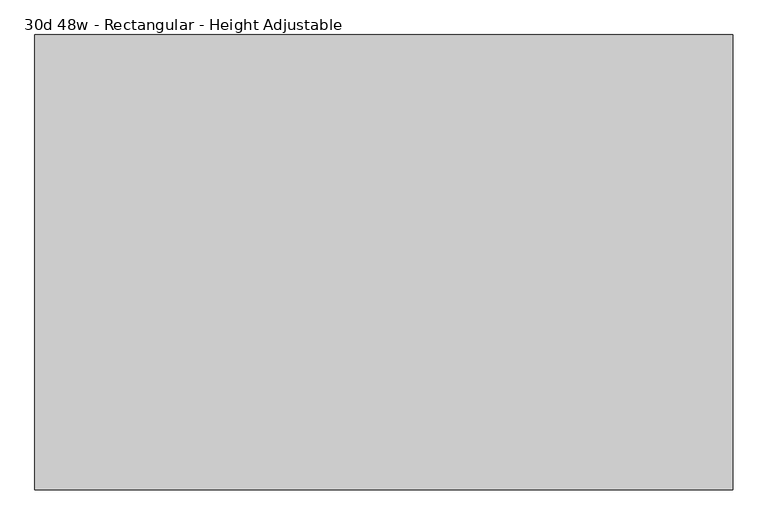
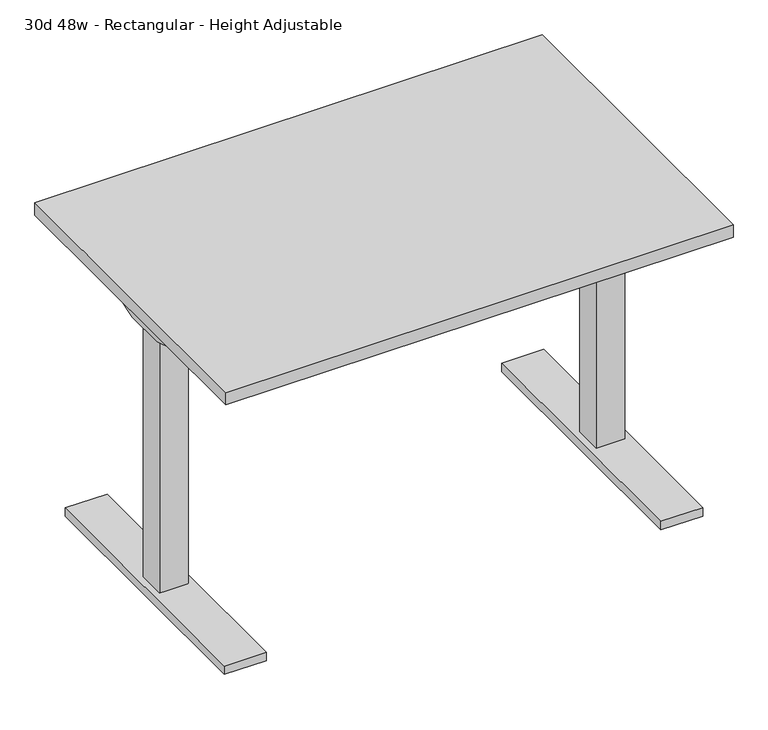
"""IFC4 building model written with IfcOpenShell, lengths in millimetres: furniture geometry, 30d 48w - Rectangular - Height Adjustable."""

from ifc_helpers import new_model, si_unit, frame, origin, origin_with_axes, place, context, project, spatial, polyline, outline, extrude, source, transform, mapped, element, save


def furniture_30d_48w_rectangular_height_adjustable_468d6f33(model_context):
    return source(origin(), model_context, "Body", "SweptSolid", [
        extrude(outline(polyline([(49.3599854, 648.1304493), (-49.3599854, 648.1304493), (-215.9, 700.0875), (-215.9, 706.4375), (215.9, 706.4375), (215.9, 700.0875), (49.3599854, 648.1304493)])), frame((-551.18, 0.0, 0.0), z_axis=(1.0, 0.0, 0.0), x_axis=(0.0, 1.0, 0.0)), (0.0, 0.0, 1.0), 25.4),
        extrude(outline(polyline([(-525.78, 29.21), (-473.7397656, 29.21), (-473.7397656, -29.21), (-525.78, -29.21), (-525.78, 29.21)])), frame((0.0, 0.0, 642.9375), z_axis=(0.0, 0.0, 1.0), x_axis=(1.0, 0.0, 0.0)), (0.0, 0.0, 1.0), 63.5),
        extrude(outline(polyline([(-535.9499219, 33.02), (-469.8702344, 33.02), (-469.8702344, -33.02), (-535.9499219, -33.02), (-535.9499219, 33.02)])), frame((0.0, 0.0, 20.6375), z_axis=(0.0, 0.0, 1.0), x_axis=(1.0, 0.0, 0.0)), (0.0, 0.0, 1.0), 622.3),
        extrude(outline(polyline([(-551.18, 317.5), (-454.6401562, 317.5), (-454.6401562, -317.5), (-551.18, -317.5), (-551.18, 317.5)])), origin_with_axes(), (0.0, 0.0, 1.0), 20.6375),
        extrude(outline(polyline([(49.3599854, 648.1304493), (-49.3599854, 648.1304493), (-215.9, 700.0875), (-215.9, 706.4375), (215.9, 706.4375), (215.9, 700.0875), (49.3599854, 648.1304493)])), frame((525.78, 0.0, 0.0), z_axis=(1.0, 0.0, 0.0), x_axis=(0.0, 1.0, 0.0)), (0.0, 0.0, 1.0), 25.4),
        extrude(outline(polyline([(525.78, 29.21), (525.78, -29.21), (473.7397656, -29.21), (473.7397656, 29.21), (525.78, 29.21)])), frame((0.0, 0.0, 642.9375), z_axis=(0.0, 0.0, 1.0), x_axis=(1.0, 0.0, 0.0)), (0.0, 0.0, 1.0), 63.5),
        extrude(outline(polyline([(535.9499219, 33.02), (535.9499219, -33.02), (469.8702344, -33.02), (469.8702344, 33.02), (535.9499219, 33.02)])), frame((0.0, 0.0, 20.6375), z_axis=(0.0, 0.0, 1.0), x_axis=(1.0, 0.0, 0.0)), (0.0, 0.0, 1.0), 622.3),
        extrude(outline(polyline([(551.18, 317.5), (551.18, -317.5), (454.6401563, -317.5), (454.6401563, 317.5), (551.18, 317.5)])), origin_with_axes(), (0.0, 0.0, 1.0), 20.6375),
        extrude(outline(polyline([(584.2, 381.0), (584.2, -381.0), (-584.2, -381.0), (-584.2, 381.0), (584.2, 381.0)])), frame((0.0, 0.0, 706.4375), z_axis=(0.0, 0.0, 1.0), x_axis=(1.0, 0.0, 0.0)), (0.0, 0.0, 1.0), 30.1625),
    ])


if __name__ == "__main__":
    model = new_model("IFC4")
    model_context = context("Model", 3, world=origin())
    ifc_project = project(units=[si_unit("LENGTHUNIT", "METRE", prefix="MILLI")], contexts=[model_context])
    site = spatial("IfcSite", under=ifc_project)
    building = spatial("IfcBuilding", under=site)
    placement = place(None, origin())
    furniture_30d_48w_rectangular_height_adjustable_shape = furniture_30d_48w_rectangular_height_adjustable_468d6f33(model_context)
    element("IfcFurniture", 1, ObjectType="30d 48w - Rectangular - Height Adjustable", at=placement, inside=building, context=model_context, shape_type="MappedRepresentation", body=[
        mapped(furniture_30d_48w_rectangular_height_adjustable_shape, transform((0.0, 0.0, 0.0), x_axis=(1.0, 0.0, 0.0), y_axis=(0.0, 1.0, 0.0), z_axis=(0.0, 0.0, 1.0))),
    ])
    save(model, "model.ifc")
